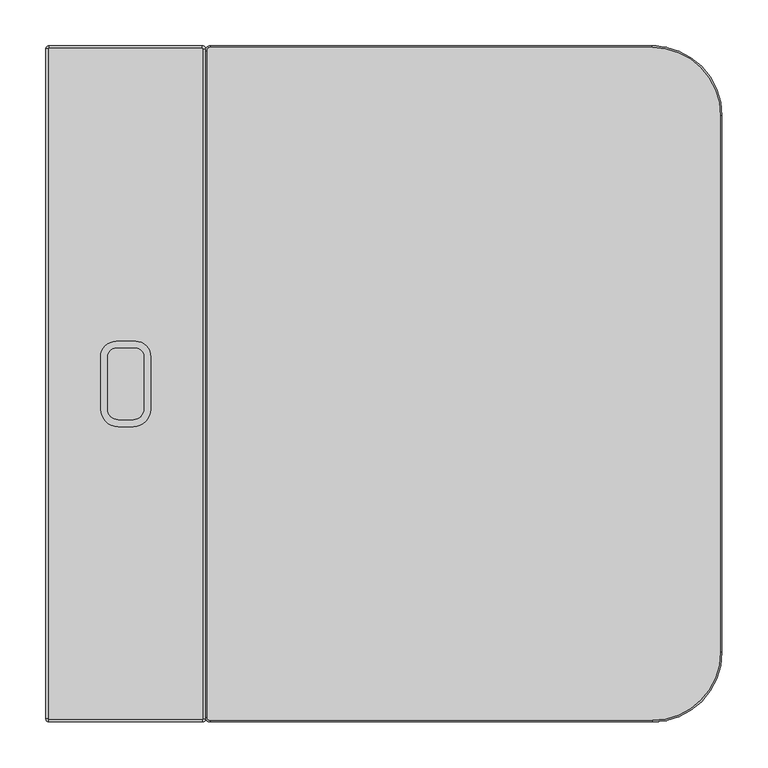
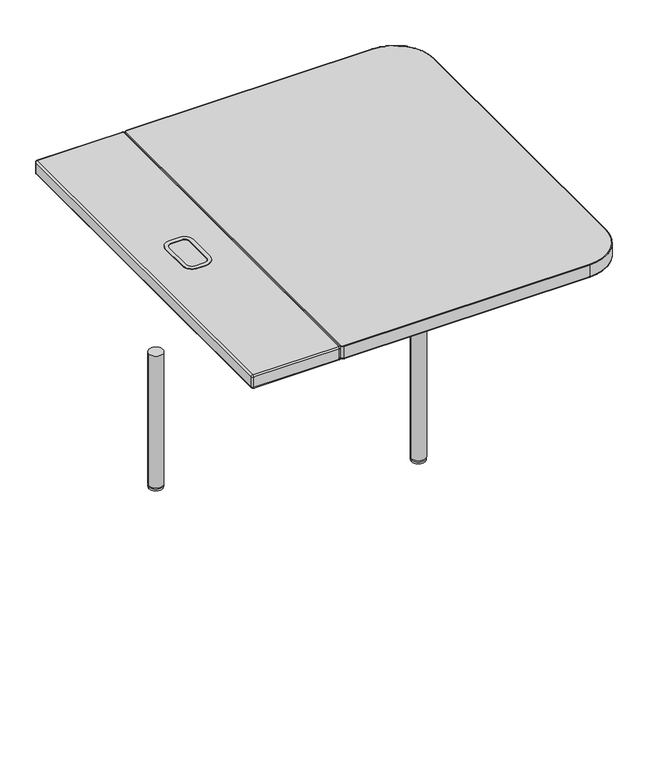
"""IFC4 building model written with IfcOpenShell, lengths in millimetres: furniture geometry."""

from ifc_helpers import new_model, si_unit, point, frame, frame_2d, origin, place, context, project, spatial, polyline, circle_curve, ellipse_curve, trimmed, segment, composite_curve, outline, extrude, source, transform, mapped, element, save
from ifc_brep_helpers import plane_surface, cylinder_surface, revolved_surface, advanced_brep


def furniture_406c691a(model_context):
    return source(origin(), model_context, "Body", "SolidModel", [
        advanced_brep(
        [(734.9734241, -660.3995155, 738.0731901), (734.9734241, -76.2, 738.0731901), (660.4009689, -1.6275448, 738.0731901), (179.072214, -1.6275448, 738.0731901), (175.6197588, -5.08, 738.0731901), (175.6197588, -731.5195155, 738.0731901), (179.072214, -734.9719707, 738.0731901), (660.4009689, -734.9719707, 738.0731901), (173.992214, -5.08, 712.8617201), (179.072214, 0.0, 712.8617201), (179.072214, -1.6213398, 711.2403803), (175.6135538, -5.08, 711.2403803), (173.992214, -5.08, 736.4456453), (179.072214, 0.0, 736.4456453), (175.6135538, -731.5195155, 711.2403803), (173.992214, -731.5195155, 712.8617201), (173.992214, -731.5195155, 736.4456453), (179.072214, -734.9781757, 711.2403803), (179.072214, -736.5995155, 712.8617201), (179.072214, -736.5995155, 736.4456453), (660.4009689, -734.9781757, 711.2403803), (660.4009689, -736.5995155, 712.8617201), (660.4009689, -736.5995155, 736.4456453), (734.9796291, -660.3995155, 711.2403803), (736.6009689, -660.3995155, 712.8617201), (736.6009689, -660.3995155, 736.4456453), (734.9796291, -76.2, 711.2403803), (736.6009689, -76.2, 712.8617201), (736.6009689, -76.2, 736.4456453), (660.4009689, -1.6213398, 711.2403803), (660.4009689, 0.0, 712.8617201), (660.4009689, 0.0, 736.4456453)],
        [
            (0, 1),
            (1, 2, circle_curve(frame((660.4009689, -76.2, 738.0731901), z_axis=(0.0, 0.0, 1.0), x_axis=(1.0, 0.0, 0.0)), 74.5724552)),
            (2, 3),
            (3, 4, circle_curve(frame((179.072214, -5.08, 738.0731901), z_axis=(0.0, 0.0, 1.0), x_axis=(0.0, 1.0, 0.0)), 3.4524552)),
            (4, 5),
            (5, 6, circle_curve(frame((179.072214, -731.5195155, 738.0731901), z_axis=(0.0, 0.0, 1.0), x_axis=(-1.0, 0.0, 0.0)), 3.4524552)),
            (6, 7),
            (7, 0, circle_curve(frame((660.4009689, -660.3995155, 738.0731901), z_axis=(0.0, 0.0, 1.0), x_axis=(0.0, -1.0, 0.0)), 74.5724552)),
            (8, 9, circle_curve(frame((179.072214, -5.08, 712.8617201), z_axis=(0.0, 0.0, -1.0), x_axis=(0.0, 1.0, 0.0)), 5.08)),
            (9, 10, circle_curve(frame((179.072214, -1.6213398, 712.8617201), z_axis=(-1.0, 0.0, 0.0), x_axis=(0.0, -1.0, 0.0)), 1.6213398)),
            (10, 11, circle_curve(frame((179.072214, -5.08, 711.2403803), z_axis=(0.0, 0.0, 1.0), x_axis=(0.0, 1.0, 0.0)), 3.4586602)),
            (11, 8, circle_curve(frame((175.6135538, -5.08, 712.8617201), z_axis=(0.0, 1.0, 0.0), x_axis=(1.0, 0.0, 0.0)), 1.6213398)),
            (8, 12),
            (12, 13, circle_curve(frame((179.072214, -5.08, 736.4456453), z_axis=(0.0, 0.0, -1.0), x_axis=(0.0, 1.0, 0.0)), 5.08)),
            (13, 9),
            (3, 13, circle_curve(frame((179.072214, -1.6275448, 736.4456453), z_axis=(-1.0, 0.0, 0.0), x_axis=(0.0, -1.0, 0.0)), 1.6275448)),
            (12, 4, circle_curve(frame((175.6197588, -5.08, 736.4456453), z_axis=(0.0, 1.0, 0.0), x_axis=(1.0, 0.0, 0.0)), 1.6275448)),
            (11, 14),
            (14, 15, circle_curve(frame((175.6135538, -731.5195155, 712.8617201), z_axis=(0.0, 1.0, 0.0), x_axis=(1.0, 0.0, 0.0)), 1.6213398)),
            (15, 8),
            (15, 16),
            (16, 12),
            (16, 5, circle_curve(frame((175.6197588, -731.5195155, 736.4456453), z_axis=(0.0, 1.0, 0.0), x_axis=(1.0, 0.0, 0.0)), 1.6275448)),
            (14, 17, circle_curve(frame((179.072214, -731.5195155, 711.2403803), z_axis=(0.0, 0.0, 1.0), x_axis=(-1.0, 0.0, 0.0)), 3.4586602)),
            (17, 18, circle_curve(frame((179.072214, -734.9781757, 712.8617201), z_axis=(-1.0, 0.0, 0.0), x_axis=(0.0, 1.0, 0.0)), 1.6213398)),
            (18, 15, circle_curve(frame((179.072214, -731.5195155, 712.8617201), z_axis=(0.0, 0.0, -1.0), x_axis=(-1.0, 0.0, 0.0)), 5.08)),
            (18, 19),
            (19, 16, circle_curve(frame((179.072214, -731.5195155, 736.4456453), z_axis=(0.0, 0.0, -1.0), x_axis=(-1.0, 0.0, 0.0)), 5.08)),
            (19, 6, circle_curve(frame((179.072214, -734.9719707, 736.4456453), z_axis=(-1.0, 0.0, 0.0), x_axis=(0.0, 1.0, 0.0)), 1.6275448)),
            (17, 20),
            (20, 21, circle_curve(frame((660.4009689, -734.9781757, 712.8617201), z_axis=(-1.0, 0.0, 0.0), x_axis=(0.0, 1.0, 0.0)), 1.6213398)),
            (21, 18),
            (21, 22),
            (22, 19),
            (22, 7, circle_curve(frame((660.4009689, -734.9719707, 736.4456453), z_axis=(-1.0, 0.0, 0.0), x_axis=(0.0, 1.0, 0.0)), 1.6275448)),
            (20, 23, circle_curve(frame((660.4009689, -660.3995155, 711.2403803), z_axis=(0.0, 0.0, 1.0), x_axis=(0.0, -1.0, 0.0)), 74.5786602)),
            (23, 24, circle_curve(frame((734.9796291, -660.3995155, 712.8617201), z_axis=(0.0, -1.0, 0.0), x_axis=(-1.0, 0.0, 0.0)), 1.6213398)),
            (24, 21, circle_curve(frame((660.4009689, -660.3995155, 712.8617201), z_axis=(0.0, 0.0, -1.0), x_axis=(0.0, -1.0, 0.0)), 76.2)),
            (24, 25),
            (25, 22, circle_curve(frame((660.4009689, -660.3995155, 736.4456453), z_axis=(0.0, 0.0, -1.0), x_axis=(0.0, -1.0, 0.0)), 76.2)),
            (25, 0, circle_curve(frame((734.9734241, -660.3995155, 736.4456453), z_axis=(0.0, -1.0, 0.0), x_axis=(-1.0, 0.0, 0.0)), 1.6275448)),
            (23, 26),
            (26, 27, circle_curve(frame((734.9796291, -76.2, 712.8617201), z_axis=(0.0, -1.0, 0.0), x_axis=(-1.0, 0.0, 0.0)), 1.6213398)),
            (27, 24),
            (27, 28),
            (28, 25),
            (28, 1, circle_curve(frame((734.9734241, -76.2, 736.4456453), z_axis=(0.0, -1.0, 0.0), x_axis=(-1.0, 0.0, 0.0)), 1.6275448)),
            (26, 29, circle_curve(frame((660.4009689, -76.2, 711.2403803), z_axis=(0.0, 0.0, 1.0), x_axis=(1.0, 0.0, 0.0)), 74.5786602)),
            (29, 30, circle_curve(frame((660.4009689, -1.6213398, 712.8617201), z_axis=(1.0, 0.0, 0.0), x_axis=(0.0, -1.0, 0.0)), 1.6213398)),
            (30, 27, circle_curve(frame((660.4009689, -76.2, 712.8617201), z_axis=(0.0, 0.0, -1.0), x_axis=(1.0, 0.0, 0.0)), 76.2)),
            (30, 31),
            (31, 28, circle_curve(frame((660.4009689, -76.2, 736.4456453), z_axis=(0.0, 0.0, -1.0), x_axis=(1.0, 0.0, 0.0)), 76.2)),
            (31, 2, circle_curve(frame((660.4009689, -1.6275448, 736.4456453), z_axis=(1.0, 0.0, 0.0), x_axis=(0.0, -1.0, 0.0)), 1.6275448)),
            (10, 29),
            (9, 30),
            (13, 31),
        ],
        [
            plane_surface(frame((660.4009689, -1.6275448, 738.0731901), z_axis=(0.0, 0.0, 1.0), x_axis=(-1.0, 0.0, 0.0))),
            revolved_surface(trimmed(ellipse_curve(frame((179.072214, -1.6213398, 712.8617201), z_axis=(1.0, 0.0, 0.0), x_axis=(0.0, -1.0, 0.0)), 1.6213398, 1.6213398), [point((179.072214, -1.6213398, 711.2403803))], [point((179.072214, 0.0, 712.8617201))], True, "CARTESIAN"), (179.072214, -5.08, 734.8981659), (0.0, 0.0, 1.0)),
            cylinder_surface(frame((179.072214, -5.08, 734.8981659), z_axis=(0.0, 0.0, 1.0), x_axis=(0.0, 1.0, 0.0)), 5.08),
            revolved_surface(trimmed(ellipse_curve(frame((179.072214, -1.6275448, 736.4456453), z_axis=(1.0, 0.0, 0.0), x_axis=(0.0, -1.0, 0.0)), 1.6275448, 1.6275448), [point((179.072214, 0.0, 736.4456453))], [point((179.072214, -1.6275448, 738.0731901))], True, "CARTESIAN"), (179.072214, -5.08, 734.8981659), (0.0, 0.0, 1.0)),
            cylinder_surface(frame((175.6135538, -5.08, 712.8617201), z_axis=(0.0, 1.0, 0.0), x_axis=(1.0, 0.0, 0.0)), 1.6213398),
            plane_surface(frame((173.992214, -5.08, 712.8617201), z_axis=(-1.0, 0.0, 0.0), x_axis=(0.0, -1.0, 0.0))),
            cylinder_surface(frame((175.6197588, -5.08, 736.4456453), z_axis=(0.0, 1.0, 0.0), x_axis=(1.0, 0.0, 0.0)), 1.6275448),
            revolved_surface(trimmed(ellipse_curve(frame((175.6135538, -731.5195155, 712.8617201), z_axis=(0.0, 1.0, 0.0), x_axis=(1.0, 0.0, 0.0)), 1.6213398, 1.6213398), [point((175.6135538, -731.5195155, 711.2403803))], [point((173.992214, -731.5195155, 712.8617201))], True, "CARTESIAN"), (179.072214, -731.5195155, 734.8981659), (0.0, 0.0, 1.0)),
            cylinder_surface(frame((179.072214, -731.5195155, 734.8981659), z_axis=(0.0, 0.0, 1.0), x_axis=(-1.0, 0.0, 0.0)), 5.08),
            revolved_surface(trimmed(ellipse_curve(frame((175.6197588, -731.5195155, 736.4456453), z_axis=(0.0, 1.0, 0.0), x_axis=(1.0, 0.0, 0.0)), 1.6275448, 1.6275448), [point((173.992214, -731.5195155, 736.4456453))], [point((175.6197588, -731.5195155, 738.0731901))], True, "CARTESIAN"), (179.072214, -731.5195155, 734.8981659), (0.0, 0.0, 1.0)),
            cylinder_surface(frame((179.072214, -734.9781757, 712.8617201), z_axis=(-1.0, 0.0, 0.0), x_axis=(0.0, 1.0, 0.0)), 1.6213398),
            plane_surface(frame((179.072214, -736.5995155, 712.8617201), z_axis=(0.0, -1.0, 0.0), x_axis=(1.0, 0.0, 0.0))),
            cylinder_surface(frame((179.072214, -734.9719707, 736.4456453), z_axis=(-1.0, 0.0, 0.0), x_axis=(0.0, 1.0, 0.0)), 1.6275448),
            revolved_surface(trimmed(ellipse_curve(frame((660.4009689, -734.9781757, 712.8617201), z_axis=(-1.0, 0.0, 0.0), x_axis=(0.0, 1.0, 0.0)), 1.6213398, 1.6213398), [point((660.4009689, -734.9781757, 711.2403803))], [point((660.4009689, -736.5995155, 712.8617201))], True, "CARTESIAN"), (660.4009689, -660.3995155, 734.8981659), (0.0, 0.0, 1.0)),
            cylinder_surface(frame((660.4009689, -660.3995155, 734.8981659), z_axis=(0.0, 0.0, 1.0), x_axis=(0.0, -1.0, 0.0)), 76.2),
            revolved_surface(trimmed(ellipse_curve(frame((660.4009689, -734.9719707, 736.4456453), z_axis=(-1.0, 0.0, 0.0), x_axis=(0.0, 1.0, 0.0)), 1.6275448, 1.6275448), [point((660.4009689, -736.5995155, 736.4456453))], [point((660.4009689, -734.9719707, 738.0731901))], True, "CARTESIAN"), (660.4009689, -660.3995155, 734.8981659), (0.0, 0.0, 1.0)),
            cylinder_surface(frame((734.9796291, -660.3995155, 712.8617201), z_axis=(0.0, -1.0, 0.0), x_axis=(-1.0, 0.0, 0.0)), 1.6213398),
            plane_surface(frame((736.6009689, -660.3995155, 712.8617201), z_axis=(1.0, 0.0, 0.0), x_axis=(0.0, 1.0, 0.0))),
            cylinder_surface(frame((734.9734241, -660.3995155, 736.4456453), z_axis=(0.0, -1.0, 0.0), x_axis=(-1.0, 0.0, 0.0)), 1.6275448),
            revolved_surface(trimmed(ellipse_curve(frame((734.9796291, -76.2, 712.8617201), z_axis=(0.0, -1.0, 0.0), x_axis=(-1.0, 0.0, 0.0)), 1.6213398, 1.6213398), [point((734.9796291, -76.2, 711.2403803))], [point((736.6009689, -76.2, 712.8617201))], True, "CARTESIAN"), (660.4009689, -76.2, 734.8981659), (0.0, 0.0, 1.0)),
            cylinder_surface(frame((660.4009689, -76.2, 734.8981659), z_axis=(0.0, 0.0, 1.0), x_axis=(1.0, 0.0, 0.0)), 76.2),
            revolved_surface(trimmed(ellipse_curve(frame((734.9734241, -76.2, 736.4456453), z_axis=(0.0, -1.0, 0.0), x_axis=(-1.0, 0.0, 0.0)), 1.6275448, 1.6275448), [point((736.6009689, -76.2, 736.4456453))], [point((734.9734241, -76.2, 738.0731901))], True, "CARTESIAN"), (660.4009689, -76.2, 734.8981659), (0.0, 0.0, 1.0)),
            plane_surface(frame((660.4009689, -2.6639572, 711.2403803), z_axis=(0.0, 0.0, -1.0), x_axis=(-1.0, 0.0, 0.0))),
            cylinder_surface(frame((660.4009689, -1.6213398, 712.8617201), z_axis=(1.0, 0.0, 0.0), x_axis=(0.0, -1.0, 0.0)), 1.6213398),
            plane_surface(frame((660.4009689, 0.0, 712.8617201), z_axis=(0.0, 1.0, 0.0), x_axis=(-1.0, 0.0, 0.0))),
            cylinder_surface(frame((660.4009689, -1.6275448, 736.4456453), z_axis=(1.0, 0.0, 0.0), x_axis=(0.0, -1.0, 0.0)), 1.6275448),
        ],
        [
            (0, [[1, 2, 3, 4, 5, 6, 7, 8]]),
            (1, [[9, 10, 11, 12]]),
            (2, [[-9, 13, 14, 15]]),
            (3, [[-4, 16, -14, 17]]),
            (4, [[-12, 18, 19, 20]]),
            (5, [[-13, -20, 21, 22]]),
            (6, [[-5, -17, -22, 23]]),
            (7, [[-19, 24, 25, 26]]),
            (8, [[-21, -26, 27, 28]]),
            (9, [[-6, -23, -28, 29]]),
            (10, [[-25, 30, 31, 32]]),
            (11, [[-27, -32, 33, 34]]),
            (12, [[-7, -29, -34, 35]]),
            (13, [[-31, 36, 37, 38]]),
            (14, [[-33, -38, 39, 40]]),
            (15, [[-8, -35, -40, 41]]),
            (16, [[-37, 42, 43, 44]]),
            (17, [[-39, -44, 45, 46]]),
            (18, [[-1, -41, -46, 47]]),
            (19, [[-43, 48, 49, 50]]),
            (20, [[-45, -50, 51, 52]]),
            (21, [[-2, -47, -52, 53]]),
            (22, [[-11, 54, -48, -42, -36, -30, -24, -18]]),
            (23, [[-10, 55, -49, -54]]),
            (24, [[-15, 56, -51, -55]]),
            (25, [[-3, -53, -56, -16]]),
        ],
    ),
        advanced_brep(
        [(171.4597498, -3.3782, 711.2403803), (170.6215498, -2.54, 711.2403803), (170.6215498, 0.0, 713.7803803), (173.9997498, -3.3782, 713.7803803), (173.9997498, -3.3782, 735.5331901), (170.6215498, 0.0, 735.5331901), (170.6215498, -2.54, 738.0731901), (171.4597498, -3.3782, 738.0731901), (173.9997498, -733.2249972, 713.7803803), (171.4597498, -733.2249972, 711.2403803), (171.4597498, -733.2249972, 738.0731901), (173.9997498, -733.2249972, 735.5331901), (170.624747, -736.6, 713.7803803), (170.624747, -734.06, 711.2403803), (170.624747, -734.06, 738.0731901), (170.624747, -736.6, 735.5331901), (3.3782, -736.6, 713.7803803), (3.3782, -734.06, 711.2403803), (3.3782, -734.06, 738.0731901), (3.3782, -736.6, 735.5331901), (0.0, -733.2218, 713.7803803), (2.54, -733.2218, 711.2403803), (2.54, -733.2218, 738.0731901), (0.0, -733.2218, 735.5331901), (0.0, -3.3782, 713.7803803), (2.54, -3.3782, 711.2403803), (2.54, -3.3782, 738.0731901), (0.0, -3.3782, 735.5331901), (3.3782, 0.0, 713.7803803), (3.3782, -2.54, 711.2403803), (3.3782, -2.54, 738.0731901), (3.3782, 0.0, 735.5331901)],
        [
            (0, 1, circle_curve(frame((170.6215498, -3.3782, 711.2403803), z_axis=(0.0, 0.0, 1.0), x_axis=(0.0, 1.0, 0.0)), 0.8382)),
            (1, 2, circle_curve(frame((170.6215498, -2.54, 713.7803803), z_axis=(1.0, 0.0, 0.0), x_axis=(0.0, -1.0, 0.0)), 2.54)),
            (2, 3, circle_curve(frame((170.6215498, -3.3782, 713.7803803), z_axis=(0.0, 0.0, -1.0), x_axis=(0.0, 1.0, 0.0)), 3.3782)),
            (3, 0, circle_curve(frame((171.4597498, -3.3782, 713.7803803), z_axis=(0.0, 1.0, 0.0), x_axis=(-1.0, 0.0, 0.0)), 2.54)),
            (4, 5, circle_curve(frame((170.6215498, -3.3782, 735.5331901), z_axis=(0.0, 0.0, 1.0), x_axis=(0.0, 1.0, 0.0)), 3.3782)),
            (5, 6, circle_curve(frame((170.6215498, -2.54, 735.5331901), z_axis=(1.0, 0.0, 0.0), x_axis=(0.0, -1.0, 0.0)), 2.54)),
            (6, 7, circle_curve(frame((170.6215498, -3.3782, 738.0731901), z_axis=(0.0, 0.0, -1.0), x_axis=(0.0, 1.0, 0.0)), 0.8382)),
            (7, 4, circle_curve(frame((171.4597498, -3.3782, 735.5331901), z_axis=(0.0, 1.0, 0.0), x_axis=(-1.0, 0.0, 0.0)), 2.54)),
            (2, 5),
            (4, 3),
            (3, 8),
            (8, 9, circle_curve(frame((171.4597498, -733.2249972, 713.7803803), z_axis=(0.0, 1.0, 0.0), x_axis=(-1.0, 0.0, 0.0)), 2.54)),
            (9, 0),
            (7, 10),
            (10, 11, circle_curve(frame((171.4597498, -733.2249972, 735.5331901), z_axis=(0.0, 1.0, 0.0), x_axis=(-1.0, 0.0, 0.0)), 2.54)),
            (11, 4),
            (11, 8),
            (8, 12, circle_curve(frame((170.624747, -733.2249972, 713.7803803), z_axis=(0.0, 0.0, -1.0), x_axis=(1.0, 0.0, 0.0)), 3.3750028)),
            (12, 13, circle_curve(frame((170.624747, -734.06, 713.7803803), z_axis=(1.0, 0.0, 0.0), x_axis=(0.0, 1.0, 0.0)), 2.54)),
            (13, 9, circle_curve(frame((170.624747, -733.2249972, 711.2403803), z_axis=(0.0, 0.0, 1.0), x_axis=(1.0, 0.0, 0.0)), 0.8350028)),
            (10, 14, circle_curve(frame((170.624747, -733.2249972, 738.0731901), z_axis=(0.0, 0.0, -1.0), x_axis=(1.0, 0.0, 0.0)), 0.8350028)),
            (14, 15, circle_curve(frame((170.624747, -734.06, 735.5331901), z_axis=(1.0, 0.0, 0.0), x_axis=(0.0, 1.0, 0.0)), 2.54)),
            (15, 11, circle_curve(frame((170.624747, -733.2249972, 735.5331901), z_axis=(0.0, 0.0, 1.0), x_axis=(1.0, 0.0, 0.0)), 3.3750028)),
            (15, 12),
            (12, 16),
            (16, 17, circle_curve(frame((3.3782, -734.06, 713.7803803), z_axis=(1.0, 0.0, 0.0), x_axis=(0.0, 1.0, 0.0)), 2.54)),
            (17, 13),
            (14, 18),
            (18, 19, circle_curve(frame((3.3782, -734.06, 735.5331901), z_axis=(1.0, 0.0, 0.0), x_axis=(0.0, 1.0, 0.0)), 2.54)),
            (19, 15),
            (19, 16),
            (16, 20, circle_curve(frame((3.3782, -733.2218, 713.7803803), z_axis=(0.0, 0.0, -1.0), x_axis=(0.0, -1.0, 0.0)), 3.3782)),
            (20, 21, circle_curve(frame((2.54, -733.2218, 713.7803803), z_axis=(0.0, -1.0, 0.0), x_axis=(1.0, 0.0, 0.0)), 2.54)),
            (21, 17, circle_curve(frame((3.3782, -733.2218, 711.2403803), z_axis=(0.0, 0.0, 1.0), x_axis=(0.0, -1.0, 0.0)), 0.8382)),
            (18, 22, circle_curve(frame((3.3782, -733.2218, 738.0731901), z_axis=(0.0, 0.0, -1.0), x_axis=(0.0, -1.0, 0.0)), 0.8382)),
            (22, 23, circle_curve(frame((2.54, -733.2218, 735.5331901), z_axis=(0.0, -1.0, 0.0), x_axis=(1.0, 0.0, 0.0)), 2.54)),
            (23, 19, circle_curve(frame((3.3782, -733.2218, 735.5331901), z_axis=(0.0, 0.0, 1.0), x_axis=(0.0, -1.0, 0.0)), 3.3782)),
            (23, 20),
            (20, 24),
            (24, 25, circle_curve(frame((2.54, -3.3782, 713.7803803), z_axis=(0.0, -1.0, 0.0), x_axis=(1.0, 0.0, 0.0)), 2.54)),
            (25, 21),
            (22, 26),
            (26, 27, circle_curve(frame((2.54, -3.3782, 735.5331901), z_axis=(0.0, -1.0, 0.0), x_axis=(1.0, 0.0, 0.0)), 2.54)),
            (27, 23),
            (27, 24),
            (24, 28, circle_curve(frame((3.3782, -3.3782, 713.7803803), z_axis=(0.0, 0.0, -1.0), x_axis=(-1.0, 0.0, 0.0)), 3.3782)),
            (28, 29, circle_curve(frame((3.3782, -2.54, 713.7803803), z_axis=(-1.0, 0.0, 0.0), x_axis=(0.0, -1.0, 0.0)), 2.54)),
            (29, 25, circle_curve(frame((3.3782, -3.3782, 711.2403803), z_axis=(0.0, 0.0, 1.0), x_axis=(-1.0, 0.0, 0.0)), 0.8382)),
            (26, 30, circle_curve(frame((3.3782, -3.3782, 738.0731901), z_axis=(0.0, 0.0, -1.0), x_axis=(-1.0, 0.0, 0.0)), 0.8382)),
            (30, 31, circle_curve(frame((3.3782, -2.54, 735.5331901), z_axis=(-1.0, 0.0, 0.0), x_axis=(0.0, -1.0, 0.0)), 2.54)),
            (31, 27, circle_curve(frame((3.3782, -3.3782, 735.5331901), z_axis=(0.0, 0.0, 1.0), x_axis=(-1.0, 0.0, 0.0)), 3.3782)),
            (31, 28),
            (1, 29),
            (28, 2),
            (6, 30),
            (5, 31),
        ],
        [
            revolved_surface(trimmed(ellipse_curve(frame((170.6215498, -2.54, 713.7803803), z_axis=(-1.0, 0.0, 0.0), x_axis=(0.0, -1.0, 0.0)), 2.54, 2.54), [point((170.6215498, 0.0, 713.7803803))], [point((170.6215498, -2.54, 711.2403803))], True, "CARTESIAN"), (170.6215498, -3.3782, 0.0), (0.0, 0.0, -1.0)),
            revolved_surface(trimmed(ellipse_curve(frame((170.6215498, -2.54, 735.5331901), z_axis=(-1.0, 0.0, 0.0), x_axis=(0.0, -1.0, 0.0)), 2.54, 2.54), [point((170.6215498, -2.54, 738.0731901))], [point((170.6215498, 0.0, 735.5331901))], True, "CARTESIAN"), (170.6215498, -3.3782, 0.0), (0.0, 0.0, -1.0)),
            cylinder_surface(frame((170.6215498, -3.3782, 0.0), z_axis=(0.0, 0.0, -1.0), x_axis=(0.0, 1.0, 0.0)), 3.3782),
            cylinder_surface(frame((171.4597498, -3.3782, 713.7803803), z_axis=(0.0, 1.0, 0.0), x_axis=(-1.0, 0.0, 0.0)), 2.54),
            cylinder_surface(frame((171.4597498, -3.3782, 735.5331901), z_axis=(0.0, 1.0, 0.0), x_axis=(-1.0, 0.0, 0.0)), 2.54),
            plane_surface(frame((173.9997498, -3.3782, 735.5331901), z_axis=(1.0, 0.0, 0.0), x_axis=(0.0, -1.0, 0.0))),
            revolved_surface(trimmed(ellipse_curve(frame((171.4597498, -733.2249972, 713.7803803), z_axis=(0.0, 1.0, 0.0), x_axis=(-1.0, 0.0, 0.0)), 2.54, 2.54), [point((173.9997498, -733.2249972, 713.7803803))], [point((171.4597498, -733.2249972, 711.2403803))], True, "CARTESIAN"), (170.624747, -733.2249972, 0.0), (0.0, 0.0, -1.0)),
            revolved_surface(trimmed(ellipse_curve(frame((171.4597498, -733.2249972, 735.5331901), z_axis=(0.0, 1.0, 0.0), x_axis=(-1.0, 0.0, 0.0)), 2.54, 2.54), [point((171.4597498, -733.2249972, 738.0731901))], [point((173.9997498, -733.2249972, 735.5331901))], True, "CARTESIAN"), (170.624747, -733.2249972, 0.0), (0.0, 0.0, -1.0)),
            cylinder_surface(frame((170.624747, -733.2249972, 0.0), z_axis=(0.0, 0.0, -1.0), x_axis=(1.0, 0.0, 0.0)), 3.3750028),
            cylinder_surface(frame((170.624747, -734.06, 713.7803803), z_axis=(1.0, 0.0, 0.0), x_axis=(0.0, 1.0, 0.0)), 2.54),
            cylinder_surface(frame((170.624747, -734.06, 735.5331901), z_axis=(1.0, 0.0, 0.0), x_axis=(0.0, 1.0, 0.0)), 2.54),
            plane_surface(frame((170.624747, -736.6, 735.5331901), z_axis=(0.0, -1.0, 0.0), x_axis=(-1.0, 0.0, 0.0))),
            revolved_surface(trimmed(ellipse_curve(frame((3.3782, -734.06, 713.7803803), z_axis=(1.0, 0.0, 0.0), x_axis=(0.0, 1.0, 0.0)), 2.54, 2.54), [point((3.3782, -736.6, 713.7803803))], [point((3.3782, -734.06, 711.2403803))], True, "CARTESIAN"), (3.3782, -733.2218, 0.0), (0.0, 0.0, -1.0)),
            revolved_surface(trimmed(ellipse_curve(frame((3.3782, -734.06, 735.5331901), z_axis=(1.0, 0.0, 0.0), x_axis=(0.0, 1.0, 0.0)), 2.54, 2.54), [point((3.3782, -734.06, 738.0731901))], [point((3.3782, -736.6, 735.5331901))], True, "CARTESIAN"), (3.3782, -733.2218, 0.0), (0.0, 0.0, -1.0)),
            cylinder_surface(frame((3.3782, -733.2218, 0.0), z_axis=(0.0, 0.0, -1.0), x_axis=(0.0, -1.0, 0.0)), 3.3782),
            cylinder_surface(frame((2.54, -733.2218, 713.7803803), z_axis=(0.0, -1.0, 0.0), x_axis=(1.0, 0.0, 0.0)), 2.54),
            cylinder_surface(frame((2.54, -733.2218, 735.5331901), z_axis=(0.0, -1.0, 0.0), x_axis=(1.0, 0.0, 0.0)), 2.54),
            plane_surface(frame((0.0, -733.2218, 735.5331901), z_axis=(-1.0, 0.0, 0.0), x_axis=(0.0, 1.0, 0.0))),
            revolved_surface(trimmed(ellipse_curve(frame((2.54, -3.3782, 713.7803803), z_axis=(0.0, -1.0, 0.0), x_axis=(1.0, 0.0, 0.0)), 2.54, 2.54), [point((0.0, -3.3782, 713.7803803))], [point((2.54, -3.3782, 711.2403803))], True, "CARTESIAN"), (3.3782, -3.3782, 0.0), (0.0, 0.0, -1.0)),
            revolved_surface(trimmed(ellipse_curve(frame((2.54, -3.3782, 735.5331901), z_axis=(0.0, -1.0, 0.0), x_axis=(1.0, 0.0, 0.0)), 2.54, 2.54), [point((2.54, -3.3782, 738.0731901))], [point((0.0, -3.3782, 735.5331901))], True, "CARTESIAN"), (3.3782, -3.3782, 0.0), (0.0, 0.0, -1.0)),
            cylinder_surface(frame((3.3782, -3.3782, 0.0), z_axis=(0.0, 0.0, -1.0), x_axis=(-1.0, 0.0, 0.0)), 3.3782),
            cylinder_surface(frame((3.3782, -2.54, 713.7803803), z_axis=(-1.0, 0.0, 0.0), x_axis=(0.0, -1.0, 0.0)), 2.54),
            plane_surface(frame((3.3782, -2.54, 711.2403803), z_axis=(0.0, 0.0, -1.0), x_axis=(1.0, 0.0, 0.0))),
            plane_surface(frame((3.3782, -3.3653618, 738.0731901), z_axis=(0.0, 0.0, 1.0), x_axis=(1.0, 0.0, 0.0))),
            cylinder_surface(frame((3.3782, -2.54, 735.5331901), z_axis=(-1.0, 0.0, 0.0), x_axis=(0.0, -1.0, 0.0)), 2.54),
            plane_surface(frame((3.3782, 0.0, 735.5331901), z_axis=(0.0, 1.0, 0.0), x_axis=(1.0, 0.0, 0.0))),
        ],
        [
            (0, [[1, 2, 3, 4]]),
            (1, [[5, 6, 7, 8]]),
            (2, [[-3, 9, -5, 10]]),
            (3, [[-4, 11, 12, 13]]),
            (4, [[-8, 14, 15, 16]]),
            (5, [[-10, -16, 17, -11]]),
            (6, [[-12, 18, 19, 20]]),
            (7, [[-15, 21, 22, 23]]),
            (8, [[-17, -23, 24, -18]]),
            (9, [[-19, 25, 26, 27]]),
            (10, [[-22, 28, 29, 30]]),
            (11, [[-24, -30, 31, -25]]),
            (12, [[-26, 32, 33, 34]]),
            (13, [[-29, 35, 36, 37]]),
            (14, [[-31, -37, 38, -32]]),
            (15, [[-33, 39, 40, 41]]),
            (16, [[-36, 42, 43, 44]]),
            (17, [[-38, -44, 45, -39]]),
            (18, [[-40, 46, 47, 48]]),
            (19, [[-43, 49, 50, 51]]),
            (20, [[-45, -51, 52, -46]]),
            (21, [[-2, 53, -47, 54]]),
            (22, [[-1, -13, -20, -27, -34, -41, -48, -53]]),
            (23, [[-7, 55, -49, -42, -35, -28, -21, -14]]),
            (24, [[-6, 56, -50, -55]]),
            (25, [[-9, -54, -52, -56]]),
        ],
    ),
        extrude(outline(composite_curve([segment(polyline([(76.6851285, -321.8794081), (97.6307927, -321.8794081)]), True, "CONTINUOUS"), segment(trimmed(circle_curve(frame_2d((97.6307927, -338.5007077)), 16.6212996), [point((97.6307927, -321.8794081))], [point((114.2520923, -338.5007077))], False, "CARTESIAN"), True, "CONTINUOUS"), segment(polyline([(114.2520923, -338.5007077), (114.2520923, -395.6992481)]), True, "CONTINUOUS"), segment(trimmed(circle_curve(frame_2d((95.2020923, -395.6992481)), 19.05), [point((114.2520923, -395.6992481))], [point((95.2020923, -414.7492481))], False, "CARTESIAN"), True, "CONTINUOUS"), segment(polyline([(95.2020923, -414.7492481), (78.7361188, -414.7492481)]), True, "CONTINUOUS"), segment(trimmed(circle_curve(frame_2d((78.7361188, -395.6992481)), 19.05), [point((78.7361188, -414.7492481))], [point((59.6861188, -395.6992481))], False, "CARTESIAN"), True, "CONTINUOUS"), segment(polyline([(59.6861188, -395.6992481), (59.6861188, -338.8784177)]), True, "CONTINUOUS"), segment(trimmed(circle_curve(frame_2d((76.6851285, -338.8784177)), 16.9990097), [point((59.6861188, -338.8784177))], [point((76.6851285, -321.8794081))], False, "CARTESIAN"), True, "CONTINUOUS")], self_intersect=False), holes=[composite_curve([segment(polyline([(97.6307927, -329.4994081), (76.6851285, -329.4994081)]), True, "CONTINUOUS"), segment(trimmed(circle_curve(frame_2d((76.6851285, -338.8784177)), 9.3790097), [point((76.6851285, -329.4994081))], [point((67.3061188, -338.8784177))], True, "CARTESIAN"), True, "CONTINUOUS"), segment(polyline([(67.3061188, -338.8784177), (67.3061188, -395.6992481)]), True, "CONTINUOUS"), segment(trimmed(circle_curve(frame_2d((78.7361188, -395.6992481)), 11.43), [point((67.3061188, -395.6992481))], [point((78.7361188, -407.1292481))], True, "CARTESIAN"), True, "CONTINUOUS"), segment(polyline([(78.7361188, -407.1292481), (95.2020923, -407.1292481)]), True, "CONTINUOUS"), segment(trimmed(circle_curve(frame_2d((95.2020923, -395.6992481)), 11.43), [point((95.2020923, -407.1292481))], [point((106.6320923, -395.6992481))], True, "CARTESIAN"), True, "CONTINUOUS"), segment(polyline([(106.6320923, -395.6992481), (106.6320923, -338.5007077)]), True, "CONTINUOUS"), segment(trimmed(circle_curve(frame_2d((97.6307927, -338.5007077)), 9.0012996), [point((106.6320923, -338.5007077))], [point((97.6307927, -329.4994081))], True, "CARTESIAN"), True, "CONTINUOUS")], self_intersect=False)]), frame((0.0, 0.0, 738.0731901), z_axis=(0.0, 0.0, 1.0), x_axis=(1.0, 0.0, 0.0)), (0.0, 0.0, 1.0), 1.643073),
        advanced_brep(
        [(193.3587795, -385.5473242, 602.6326914), (217.7711079, -385.5473242, 603.0588101), (220.1620362, -385.5473242, 611.981876), (214.7769063, -385.5473242, 613.4248172), (212.72859, -385.5473242, 605.7803969), (198.7464015, -385.5473242, 605.5363369), (185.8906855, -385.5473242, 647.585489), (181.7685595, -385.5473242, 649.7772623), (178.4433422, -385.5473242, 648.7606414), (180.2031859, -385.5473242, 641.6817032), (181.3162582, -385.5473242, 642.0220036), (193.3587795, -351.4556914, 602.6326914), (181.3162582, -351.4556914, 642.0220036), (180.2031859, -351.4556914, 641.6817032), (178.4433422, -351.4556914, 648.7606414), (181.7685595, -351.4556914, 649.7772623), (185.8906855, -351.4556914, 647.585489), (198.7464015, -351.4556914, 605.5363369), (212.72859, -351.4556914, 605.7803969), (214.7769063, -351.4556914, 613.4248172), (220.1620362, -351.4556914, 611.981876), (217.7711079, -351.4556914, 603.0588101), (221.2840671, -350.3345338, 616.1693525), (228.1777232, -335.5704892, 641.8968271), (230.0576352, -350.1386607, 648.9127544), (221.614104, -364.6634895, 617.4010668), (221.5967593, -372.342626, 617.3363355), (230.0082453, -387.4973853, 648.7284287), (228.1721298, -401.4205473, 641.8759525), (221.2840671, -386.6684818, 616.1693525), (215.8989372, -386.6684818, 617.6122938), (222.7869999, -401.4205473, 643.3188937), (224.6231154, -387.4973853, 650.1713699), (216.2116294, -372.342626, 618.7792767), (216.2289741, -364.6634895, 618.844008), (224.6725053, -350.1386607, 650.3556956), (222.7925933, -335.5704892, 643.3397683), (215.8989372, -350.3345338, 617.6122938)],
        [
            (0, 1, circle_curve(frame((205.5038499, -385.5473242, 606.345812), z_axis=(0.0, -1.0, 0.0), x_axis=(1.0, 0.0, 0.0)), 12.7)),
            (1, 2),
            (2, 3),
            (3, 4),
            (4, 5, circle_curve(frame((205.7025042, -385.5473242, 607.6630309), z_axis=(0.0, 1.0, 0.0), x_axis=(1.0, 0.0, 0.0)), 7.2739393)),
            (5, 6),
            (6, 7, circle_curve(frame((182.7337359, -385.5473242, 646.6203126), z_axis=(0.0, -1.0, 0.0), x_axis=(1.0, 0.0, 0.0)), 3.3011963)),
            (7, 8),
            (8, 9),
            (9, 10),
            (10, 0),
            (11, 12),
            (12, 13),
            (13, 14),
            (14, 15),
            (15, 16, circle_curve(frame((182.7337359, -351.4556914, 646.6203126), z_axis=(0.0, 1.0, 0.0), x_axis=(1.0, 0.0, 0.0)), 3.3011963)),
            (16, 17),
            (17, 18, circle_curve(frame((205.7025042, -351.4556914, 607.6630309), z_axis=(0.0, -1.0, 0.0), x_axis=(1.0, 0.0, 0.0)), 7.2739393)),
            (18, 19),
            (19, 20),
            (20, 21),
            (21, 11, circle_curve(frame((205.5038499, -351.4556914, 606.345812), z_axis=(0.0, 1.0, 0.0), x_axis=(1.0, 0.0, 0.0)), 12.7)),
            (0, 11),
            (21, 1),
            (20, 22, circle_curve(frame((220.1620362, -342.5136355, 611.981876), z_axis=(-0.9659258262890681, 0.0, 0.25881904510252135), x_axis=(-0.25881904510252135, 0.0, -0.9659258262890681)), 8.942056)),
            (22, 23),
            (23, 24, circle_curve(frame((229.1999914, -342.696011, 645.7119842), z_axis=(0.9659258262890681, 0.0, -0.25881904510252135), x_axis=(-0.25881904510252135, 0.0, -0.9659258262890681)), 8.1469944)),
            (24, 25),
            (25, 26, circle_curve(frame((222.0583111, -368.5183279, 619.0588705), z_axis=(-0.9659258262890681, 0.0, 0.25881904510252135), x_axis=(0.0, -1.0, 0.0)), 4.219646)),
            (26, 27),
            (27, 28, circle_curve(frame((229.1531075, -394.5828338, 645.5370108), z_axis=(0.9659258262890681, 0.0, -0.25881904510252135), x_axis=(-0.25881904510252135, 0.0, -0.9659258262890681)), 7.8179274)),
            (28, 29),
            (29, 2, circle_curve(frame((220.1620362, -394.4893802, 611.981876), z_axis=(-0.9659258262890681, 0.0, 0.25881904510252135), x_axis=(-0.25881904510252135, 0.0, -0.9659258262890681)), 8.942056)),
            (3, 30, circle_curve(frame((214.7769063, -394.4893802, 613.4248172), z_axis=(0.9659258262890681, 0.0, -0.25881904510252135), x_axis=(-0.25881904510252135, 0.0, -0.9659258262890681)), 8.942056)),
            (30, 31),
            (31, 32, circle_curve(frame((223.7679776, -394.5828338, 646.979952), z_axis=(-0.9659258262890681, 0.0, 0.25881904510252135), x_axis=(-0.25881904510252135, 0.0, -0.9659258262890681)), 7.8179274)),
            (32, 33),
            (33, 34, circle_curve(frame((216.6731812, -368.5183279, 620.5018117), z_axis=(0.9659258262890681, 0.0, -0.25881904510252135), x_axis=(0.0, -1.0, 0.0)), 4.219646)),
            (34, 35),
            (35, 36, circle_curve(frame((223.8148615, -342.696011, 647.1549254), z_axis=(-0.9659258262890681, 0.0, 0.25881904510252135), x_axis=(-0.25881904510252135, 0.0, -0.9659258262890681)), 8.1469944)),
            (36, 37),
            (37, 19, circle_curve(frame((214.7769063, -342.5136355, 613.4248172), z_axis=(0.9659258262890681, 0.0, -0.25881904510252135), x_axis=(-0.25881904510252135, 0.0, -0.9659258262890681)), 8.942056)),
            (18, 4),
            (17, 5),
            (16, 6),
            (15, 7),
            (14, 8),
            (13, 9),
            (12, 10),
            (28, 31),
            (30, 29),
            (24, 35),
            (34, 25),
            (33, 26),
            (32, 27),
            (37, 22),
            (36, 23),
        ],
        [
            plane_surface(frame((218.2038499, -385.5473242, 606.345812), z_axis=(0.0, -1.0, 0.0), x_axis=(0.0, 0.0, 1.0))),
            plane_surface(frame((218.2038499, -351.4556914, 606.345812), z_axis=(0.0, 1.0, 0.0), x_axis=(0.0, 0.0, -1.0))),
            cylinder_surface(frame((205.5038499, -351.4556914, 606.345812), z_axis=(0.0, -1.0, 0.0), x_axis=(1.0, 0.0, 0.0)), 12.7),
            plane_surface(frame((217.7711079, -385.5473242, 603.0588101), z_axis=(0.9659258262890658, 0.0, -0.2588190451025303), x_axis=(0.0, 1.0, 0.0))),
            plane_surface(frame((213.9491973, -385.5473242, 610.3357653), z_axis=(-0.9659258262890684, 0.0, 0.2588190451025202), x_axis=(0.0, 1.0, 0.0))),
            revolved_surface(polyline([(212.9764435, -351.4556914, 607.6630309), (212.9764435, -385.5473242, 607.6630309)]), (205.7025042, -351.4556914, 607.6630309), (0.0, 1.0, 0.0)),
            plane_surface(frame((198.7464015, -385.5473242, 605.5363369), z_axis=(0.9563047559630361, 0.0, 0.2923717047227351), x_axis=(0.0, 1.0, 0.0))),
            cylinder_surface(frame((182.7337359, -351.4556914, 646.6203126), z_axis=(0.0, -1.0, 0.0), x_axis=(1.0, 0.0, 0.0)), 3.3011963),
            plane_surface(frame((181.7685595, -385.5473242, 649.7772623), z_axis=(-0.2923717047227147, 0.0, 0.9563047559630422), x_axis=(0.0, 1.0, 0.0))),
            plane_surface(frame((178.4433422, -385.5473242, 648.7606414), z_axis=(-0.9704607081355684, 0.0, -0.24125922565782051), x_axis=(0.0, 1.0, 0.0))),
            plane_surface(frame((180.2031859, -385.5473242, 641.6817032), z_axis=(0.29237170472277046, 0.0, -0.9563047559630252), x_axis=(0.0, 1.0, 0.0))),
            plane_surface(frame((181.3162582, -385.5473242, 642.0220036), z_axis=(-0.9563047559630361, 0.0, -0.2923717047227349), x_axis=(0.0, 1.0, 0.0))),
            plane_surface(frame((228.1721298, -401.4205473, 641.8759525), z_axis=(-0.1254779629686724, -0.8746197071393738, -0.46829013302937417), x_axis=(-0.9659258262890685, 0.0, 0.25881904510251996))),
            plane_surface(frame((230.0576352, -350.1386607, 648.9127544), z_axis=(0.10527118956909548, -0.9135454576425981, 0.3928774280450376), x_axis=(-0.9659258262890685, 0.0, 0.25881904510251996))),
            revolved_surface(polyline([(216.6731812, -372.7379739, 620.5018117), (222.05831115646887, -372.7379739, 619.0588704770274)]), (216.6731812, -368.5183279, 620.5018117), (-0.9659258262890681, 0.0, 0.25881904510252135)),
            plane_surface(frame((221.5967593, -372.342626, 617.3363355), z_axis=(0.10938165494660308, 0.9063077870366518, 0.40821789367673417), x_axis=(-0.9659258262890685, 0.0, 0.25881904510251996))),
            revolved_surface(polyline([(212.4625318364423, -394.4893802, 604.7874543878005), (217.84766180286627, -394.4893802, 603.3445131621605)]), (214.7769063, -394.4893802, 613.4248172), (-0.9659258262890681, 0.0, 0.25881904510252135)),
            revolved_surface(polyline([(212.4625318364423, -342.5136355, 604.7874543878005), (217.84766180286627, -342.5136355, 603.3445131621605)]), (214.7769063, -342.5136355, 613.4248172), (-0.9659258262890681, 0.0, 0.25881904510252135)),
            plane_surface(frame((221.2840671, -350.3345338, 616.1693525), z_axis=(-0.12547796296869354, 0.8746197071393723, -0.46829013302937084), x_axis=(-0.9659258262890685, 0.0, 0.25881904510251996))),
            cylinder_surface(frame((223.8148615, -342.696011, 647.1549254), z_axis=(0.9659258262890681, 0.0, -0.25881904510252135), x_axis=(-0.25881904510252135, 0.0, -0.9659258262890681)), 8.1469944),
            cylinder_surface(frame((223.7679776, -394.5828338, 646.979952), z_axis=(0.9659258262890681, 0.0, -0.25881904510252135), x_axis=(-0.25881904510252135, 0.0, -0.9659258262890681)), 7.8179274),
        ],
        [
            (0, [[1, 2, 3, 4, 5, 6, 7, 8, 9, 10, 11]]),
            (1, [[12, 13, 14, 15, 16, 17, 18, 19, 20, 21, 22]]),
            (2, [[-1, 23, -22, 24]]),
            (3, [[-2, -24, -21, 25, 26, 27, 28, 29, 30, 31, 32, 33]]),
            (4, [[-4, 34, 35, 36, 37, 38, 39, 40, 41, 42, -19, 43]]),
            (5, [[-5, -43, -18, 44]]),
            (6, [[-6, -44, -17, 45]]),
            (7, [[-7, -45, -16, 46]]),
            (8, [[-8, -46, -15, 47]]),
            (9, [[-9, -47, -14, 48]]),
            (10, [[-10, -48, -13, 49]]),
            (11, [[-11, -49, -12, -23]]),
            (12, [[-32, 50, -35, 51]]),
            (13, [[-28, 52, -39, 53]]),
            (14, [[-29, -53, -38, 54]]),
            (15, [[-30, -54, -37, 55]]),
            (16, [[-33, -51, -34, -3]]),
            (17, [[-25, -20, -42, 56]]),
            (18, [[-26, -56, -41, 57]]),
            (19, [[-27, -57, -40, -52]]),
            (20, [[-31, -55, -36, -50]]),
        ],
    ),
        advanced_brep(
        [(660.7573193, -177.6878257, 4.0585105), (634.562739, -177.6878257, 4.0585105), (637.8363373, -177.6878257, 7.4421999), (657.4837209, -177.6878257, 7.4421999), (659.0367815, -177.6878257, 0.0), (636.2832767, -177.6878257, 0.0), (647.6600291, -177.6878257, 0.0), (647.6600291, -177.6878257, 7.4421999)],
        [
            (0, 1, circle_curve(frame((647.6600291, -177.6878257, 4.0585105), z_axis=(0.0, 0.0, 1.0), x_axis=(-1.0, 0.0, 0.0)), 13.0972902)),
            (1, 2),
            (2, 3, circle_curve(frame((647.6600291, -177.6878257, 7.4421999), z_axis=(0.0, 0.0, -1.0), x_axis=(-1.0, 0.0, 0.0)), 9.8236918)),
            (3, 0),
            (1, 0, circle_curve(frame((647.6600291, -177.6878257, 4.0585105), z_axis=(0.0, 0.0, 1.0), x_axis=(-1.0, 0.0, 0.0)), 13.0972902)),
            (3, 2, circle_curve(frame((647.6600291, -177.6878257, 7.4421999), z_axis=(0.0, 0.0, -1.0), x_axis=(-1.0, 0.0, 0.0)), 9.8236918)),
            (4, 5, circle_curve(frame((647.6600291, -177.6878257, 0.0), z_axis=(0.0, 0.0, 1.0), x_axis=(-1.0, 0.0, 0.0)), 11.3767524)),
            (5, 1, circle_curve(frame((636.2832767, -177.6878257, 2.3939518), z_axis=(0.0, 1.0, 0.0), x_axis=(1.0, 0.0, 0.0)), 2.3939518)),
            (0, 4, circle_curve(frame((659.0367815, -177.6878257, 2.3939518), z_axis=(0.0, 1.0, 0.0), x_axis=(-1.0, 0.0, 0.0)), 2.3939518)),
            (5, 4, circle_curve(frame((647.6600291, -177.6878257, 0.0), z_axis=(0.0, 0.0, 1.0), x_axis=(-1.0, 0.0, 0.0)), 11.3767524)),
            (6, 5),
            (4, 6),
            (2, 7),
            (7, 3),
        ],
        [
            revolved_surface(polyline([(637.8363373, -177.6878257, 7.4421999), (634.562739, -177.6878257, 4.0585105)]), (647.6600291, -177.6878257, 3.7265795), (0.0, 0.0, -1.0)),
            revolved_surface(trimmed(ellipse_curve(frame((636.2832767, -177.6878257, 2.3939518), z_axis=(0.0, -1.0, 0.0), x_axis=(1.0, 0.0, 0.0)), 2.3939518, 2.3939518), [point((634.562739, -177.6878257, 4.0585105))], [point((636.2832767, -177.6878257, 0.0))], True, "CARTESIAN"), (647.6600291, -177.6878257, 3.7265795), (0.0, 0.0, -1.0)),
            plane_surface(frame((647.6600291, -177.6878257, 0.0), z_axis=(0.0, 0.0, -1.0), x_axis=(-1.0, 0.0, 0.0))),
            plane_surface(frame((647.6600291, -177.6878257, 7.4421999), z_axis=(0.0, 0.0, 1.0), x_axis=(-1.0, 0.0, 0.0))),
        ],
        [
            (0, [[1, 2, 3, 4]]),
            (0, [[5, -4, 6, -2]]),
            (1, [[7, 8, -1, 9]]),
            (1, [[10, -9, -5, -8]]),
            (2, [[11, -7, 12]]),
            (2, [[-12, -10, -11]]),
            (3, [[-3, 13, 14]]),
            (3, [[-6, -14, -13]]),
        ],
    ),
        advanced_brep(
        [(235.3472962, -24.60625, 4.0585105), (209.1527159, -24.60625, 4.0585105), (212.4263143, -24.60625, 7.4421999), (232.0736979, -24.60625, 7.4421999), (233.6267585, -24.60625, 0.0), (210.8732536, -24.60625, 0.0), (222.2500061, -24.60625, 0.0), (222.2500061, -24.60625, 7.4421999)],
        [
            (0, 1, circle_curve(frame((222.2500061, -24.60625, 4.0585105), z_axis=(0.0, 0.0, 1.0), x_axis=(-1.0, 0.0, 0.0)), 13.0972902)),
            (1, 2),
            (2, 3, circle_curve(frame((222.2500061, -24.60625, 7.4421999), z_axis=(0.0, 0.0, -1.0), x_axis=(-1.0, 0.0, 0.0)), 9.8236918)),
            (3, 0),
            (1, 0, circle_curve(frame((222.2500061, -24.60625, 4.0585105), z_axis=(0.0, 0.0, 1.0), x_axis=(-1.0, 0.0, 0.0)), 13.0972902)),
            (3, 2, circle_curve(frame((222.2500061, -24.60625, 7.4421999), z_axis=(0.0, 0.0, -1.0), x_axis=(-1.0, 0.0, 0.0)), 9.8236918)),
            (4, 5, circle_curve(frame((222.2500061, -24.60625, 0.0), z_axis=(0.0, 0.0, 1.0), x_axis=(-1.0, 0.0, 0.0)), 11.3767524)),
            (5, 1, circle_curve(frame((210.8732536, -24.60625, 2.3939518), z_axis=(0.0, 1.0, 0.0), x_axis=(1.0, 0.0, 0.0)), 2.3939518)),
            (0, 4, circle_curve(frame((233.6267585, -24.60625, 2.3939518), z_axis=(0.0, 1.0, 0.0), x_axis=(-1.0, 0.0, 0.0)), 2.3939518)),
            (5, 4, circle_curve(frame((222.2500061, -24.60625, 0.0), z_axis=(0.0, 0.0, 1.0), x_axis=(-1.0, 0.0, 0.0)), 11.3767524)),
            (6, 5),
            (4, 6),
            (2, 7),
            (7, 3),
        ],
        [
            revolved_surface(polyline([(212.4263143, -24.60625, 7.4421999), (209.1527159, -24.60625, 4.0585105)]), (222.2500061, -24.60625, 3.7265795), (0.0, 0.0, -1.0)),
            revolved_surface(trimmed(ellipse_curve(frame((210.8732536, -24.60625, 2.3939518), z_axis=(0.0, -1.0, 0.0), x_axis=(1.0, 0.0, 0.0)), 2.3939518, 2.3939518), [point((209.1527159, -24.60625, 4.0585105))], [point((210.8732536, -24.60625, 0.0))], True, "CARTESIAN"), (222.2500061, -24.60625, 3.7265795), (0.0, 0.0, -1.0)),
            plane_surface(frame((222.2500061, -24.60625, 0.0), z_axis=(0.0, 0.0, -1.0), x_axis=(-1.0, 0.0, 0.0))),
            plane_surface(frame((222.2500061, -24.60625, 7.4421999), z_axis=(0.0, 0.0, 1.0), x_axis=(-1.0, 0.0, 0.0))),
        ],
        [
            (0, [[1, 2, 3, 4]]),
            (0, [[5, -4, 6, -2]]),
            (1, [[7, 8, -1, 9]]),
            (1, [[10, -9, -5, -8]]),
            (2, [[11, -7, 12]]),
            (2, [[-12, -10, -11]]),
            (3, [[-3, 13, 14]]),
            (3, [[-6, -14, -13]]),
        ],
    ),
        extrude(outline(composite_curve([segment(trimmed(circle_curve(frame_2d((222.2175874, -24.9698558)), 13.7484056), [point((208.4691818, -24.9698558))], [point((235.965993, -24.9698558))], False, "CARTESIAN"), True, "CONTINUOUS"), segment(trimmed(circle_curve(frame_2d((222.2175874, -24.9698558)), 13.7484056), [point((235.965993, -24.9698558))], [point((208.4691818, -24.9698558))], False, "CARTESIAN"), True, "CONTINUOUS")], self_intersect=False)), frame((0.0, 0.0, 7.4421999), z_axis=(0.0, 0.0, 1.0), x_axis=(1.0, 0.0, 0.0)), (0.0, 0.0, 1.0), 272.1245656),
        extrude(outline(composite_curve([segment(trimmed(circle_curve(frame_2d((647.6276104, -178.0514315)), 13.7484056), [point((633.8792048, -178.0514315))], [point((661.376016, -178.0514315))], False, "CARTESIAN"), True, "CONTINUOUS"), segment(trimmed(circle_curve(frame_2d((647.6276104, -178.0514315)), 13.7484056), [point((661.376016, -178.0514315))], [point((633.8792048, -178.0514315))], False, "CARTESIAN"), True, "CONTINUOUS")], self_intersect=False)), frame((0.0, 0.0, 7.4421999), z_axis=(0.0, 0.0, 1.0), x_axis=(1.0, 0.0, 0.0)), (0.0, 0.0, 1.0), 704.2266426),
    ])


if __name__ == "__main__":
    model = new_model("IFC4")
    model_context = context("Model", 3, world=origin())
    ifc_project = project(units=[si_unit("LENGTHUNIT", "METRE", prefix="MILLI")], contexts=[model_context])
    site = spatial("IfcSite", under=ifc_project)
    building = spatial("IfcBuilding", under=site)
    placement = place(None, origin())
    furniture_shape = furniture_406c691a(model_context)
    element("IfcFurniture", 1, at=placement, inside=building, context=model_context, shape_type="MappedRepresentation", body=[
        mapped(furniture_shape, transform((0.0, 0.0, 0.0), x_axis=(1.0, 0.0, 0.0), y_axis=(0.0, 1.0, 0.0), z_axis=(0.0, 0.0, 1.0))),
    ])
    save(model, "model.ifc")
